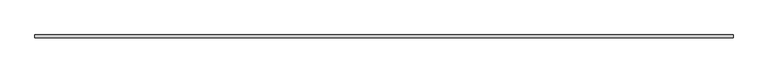
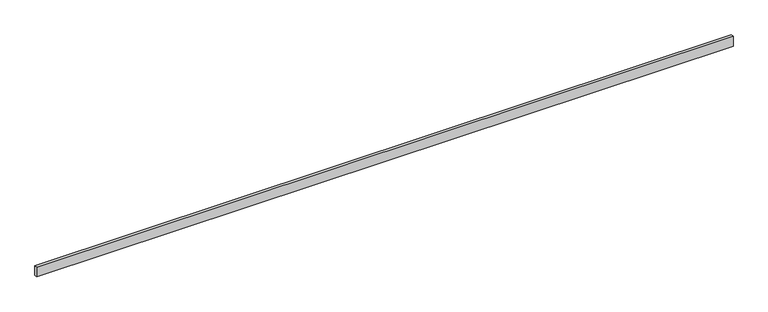
"""IFC4 building model written with IfcOpenShell, lengths in millimetres: beam geometry."""

from ifc_helpers import new_model, si_unit, frame, origin, place, context, project, spatial, polyline, outline, extrude, source, transform, mapped, element, save


def beam_afb7ff1f(model_context):
    return source(origin(), model_context, "Body", "SweptSolid", [
        extrude(outline(polyline([(4800.6, -19.05), (-4800.6, -19.05), (-4800.6, 19.05), (4800.6, 19.05), (4800.6, -19.05)])), frame((0.0, 0.0, -69.85), z_axis=(0.0, 0.0, 1.0), x_axis=(1.0, 0.0, 0.0)), (0.0, 0.0, 1.0), 139.7),
    ])


if __name__ == "__main__":
    model = new_model("IFC4")
    model_context = context("Model", 3, world=origin())
    ifc_project = project(units=[si_unit("LENGTHUNIT", "METRE", prefix="MILLI")], contexts=[model_context])
    site = spatial("IfcSite", under=ifc_project)
    building = spatial("IfcBuilding", under=site)
    placement = place(None, origin())
    beam_shape = beam_afb7ff1f(model_context)
    element("IfcBeam", 1, at=placement, inside=building, context=model_context, shape_type="MappedRepresentation", body=[
        mapped(beam_shape, transform((0.0, 0.0, 0.0), x_axis=(1.0, 0.0, 0.0), y_axis=(0.0, 1.0, 0.0), z_axis=(0.0, 0.0, 1.0))),
    ])
    save(model, "model.ifc")
